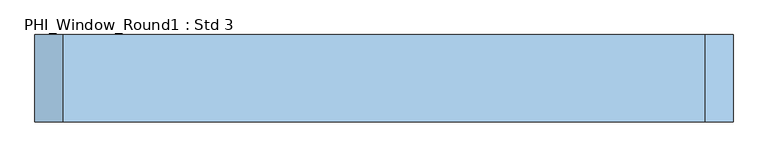
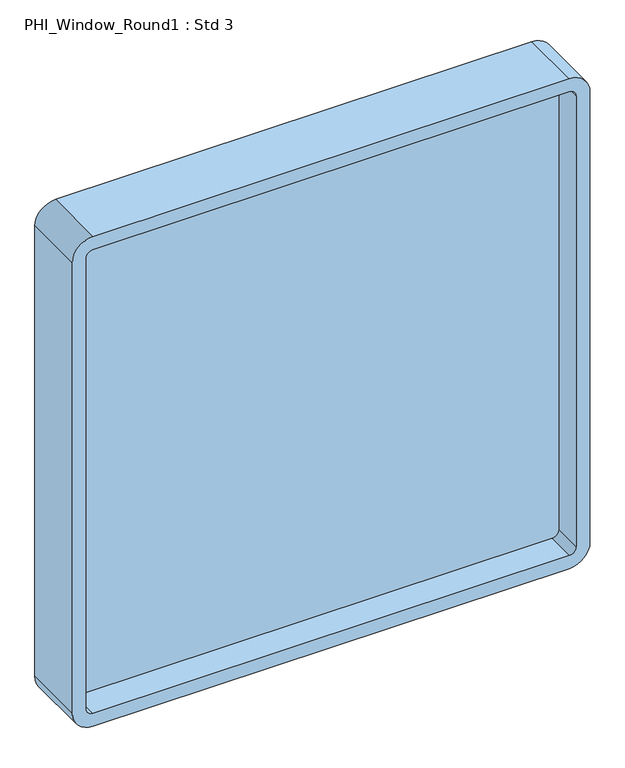
"""IFC4 building model written with IfcOpenShell, lengths in millimetres: window geometry, PHI_Window_Round1 : Std 3."""

from ifc_helpers import new_model, si_unit, point, frame, frame_2d, origin, place, context, project, spatial, polyline, circle_curve, trimmed, segment, composite_curve, outline, extrude, source, transform, mapped, element, save


def phi_window_round1_std_3_ad17a10b(model_context):
    return source(origin(), model_context, "Body", "SweptSolid", [
        extrude(outline(composite_curve([segment(polyline([(2115.0, 552.0), (2115.0, -552.0)]), True, "CONTINUOUS"), segment(trimmed(circle_curve(frame_2d((2067.0, -552.0)), 48.0), [point((2115.0, -552.0))], [point((2067.0, -600.0))], False, "CARTESIAN"), True, "CONTINUOUS"), segment(polyline([(2067.0, -600.0), (963.0, -600.0)]), True, "CONTINUOUS"), segment(trimmed(circle_curve(frame_2d((963.0, -552.0)), 48.0), [point((963.0, -600.0))], [point((915.0, -552.0))], False, "CARTESIAN"), True, "CONTINUOUS"), segment(polyline([(915.0, -552.0), (915.0, 552.0)]), True, "CONTINUOUS"), segment(trimmed(circle_curve(frame_2d((963.0, 552.0)), 48.0), [point((915.0, 552.0))], [point((963.0, 600.0))], False, "CARTESIAN"), True, "CONTINUOUS"), segment(polyline([(963.0, 600.0), (2067.0, 600.0)]), True, "CONTINUOUS"), segment(trimmed(circle_curve(frame_2d((2067.0, 552.0)), 48.0), [point((2067.0, 600.0))], [point((2115.0, 552.0))], False, "CARTESIAN"), True, "CONTINUOUS")], self_intersect=False), holes=[composite_curve([segment(polyline([(963.0, -568.0), (2067.0, -568.0)]), True, "CONTINUOUS"), segment(trimmed(circle_curve(frame_2d((2067.0, -552.0)), 16.0), [point((2067.0, -568.0))], [point((2083.0, -552.0))], True, "CARTESIAN"), True, "CONTINUOUS"), segment(polyline([(2083.0, -552.0), (2083.0, 552.0)]), True, "CONTINUOUS"), segment(trimmed(circle_curve(frame_2d((2067.0, 552.0)), 16.0), [point((2083.0, 552.0))], [point((2067.0, 568.0))], True, "CARTESIAN"), True, "CONTINUOUS"), segment(polyline([(2067.0, 568.0), (963.0, 568.0)]), True, "CONTINUOUS"), segment(trimmed(circle_curve(frame_2d((963.0, 552.0)), 16.0), [point((963.0, 568.0))], [point((947.0, 552.0))], True, "CARTESIAN"), True, "CONTINUOUS"), segment(polyline([(947.0, 552.0), (947.0, -552.0)]), True, "CONTINUOUS"), segment(trimmed(circle_curve(frame_2d((963.0, -552.0)), 16.0), [point((947.0, -552.0))], [point((963.0, -568.0))], True, "CARTESIAN"), True, "CONTINUOUS")], self_intersect=False)]), frame((0.0, -62.0, 0.0), z_axis=(0.0, 1.0, 0.0), x_axis=(0.0, 0.0, 1.0)), (0.0, 0.0, 1.0), 150.0),
        extrude(outline(polyline([(-581.0, 19.0), (581.0, 19.0), (581.0, 7.0), (-581.0, 7.0), (-581.0, 19.0)])), frame((0.0, 0.0, 934.0), z_axis=(0.0, 0.0, 1.0), x_axis=(1.0, 0.0, 0.0)), (0.0, 0.0, 1.0), 1162.0),
    ])


if __name__ == "__main__":
    model = new_model("IFC4")
    model_context = context("Model", 3, world=origin())
    ifc_project = project(units=[si_unit("LENGTHUNIT", "METRE", prefix="MILLI")], contexts=[model_context])
    site = spatial("IfcSite", under=ifc_project)
    building = spatial("IfcBuilding", under=site)
    placement = place(None, origin())
    phi_window_round1_std_3_shape = phi_window_round1_std_3_ad17a10b(model_context)
    element("IfcWindow", 1, ObjectType="PHI_Window_Round1 : Std 3", at=placement, inside=building, context=model_context, shape_type="MappedRepresentation", body=[
        mapped(phi_window_round1_std_3_shape, transform((0.0, 0.0, 0.0), x_axis=(1.0, 0.0, 0.0), y_axis=(0.0, 1.0, 0.0), z_axis=(0.0, 0.0, 1.0))),
    ])
    save(model, "model.ifc")
